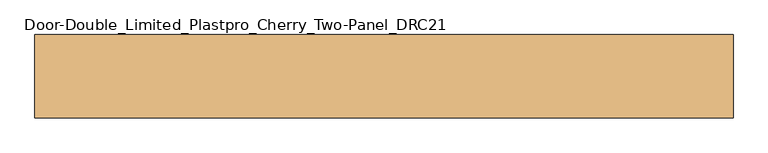
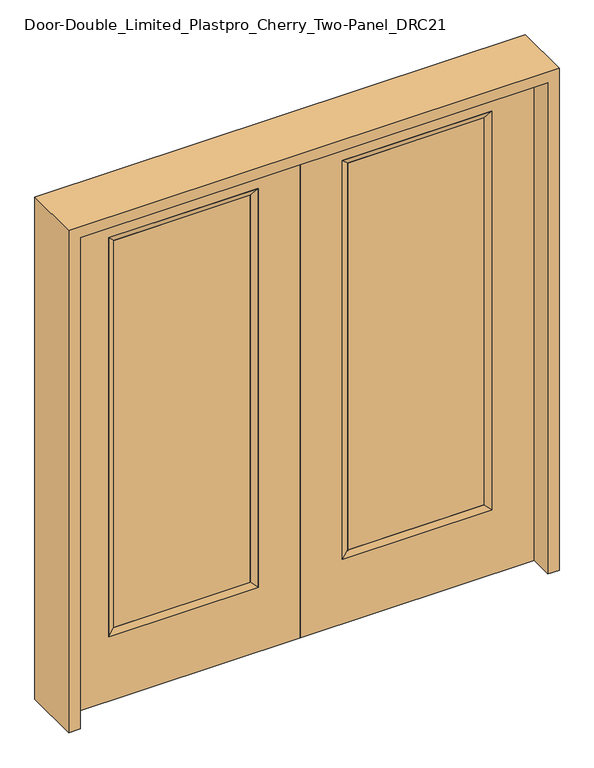
"""IFC4 building model written with IfcOpenShell, lengths in millimetres: door geometry, Door-Double_Limited_Plastpro_Cherry_Two-Panel_DRC21."""

from ifc_helpers import new_model, si_unit, frame, origin, place, context, project, spatial, polyline, outline, extrude, faceted_brep, source, transform, mapped, element, save


def door_double_limited_plastpro_cherry_two_panel_drc21_c13fb43d(model_context):
    return source(origin(), model_context, "Body", "SolidModel", [
        extrude(outline(polyline([(190.5, -12.7), (190.5, 12.7), (723.9, 12.7), (723.9, -12.7), (190.5, -12.7)])), frame((0.0, 0.0, 284.95625), z_axis=(0.0, 0.0, 1.0), x_axis=(1.0, 0.0, 0.0)), (0.0, 0.0, 1.0), 1607.34375),
        faceted_brep([(749.3, -22.225, 1917.7), (749.3, -22.225, 266.7), (749.3, 22.225, 266.7), (749.3, 22.225, 1917.7), (165.1, -22.225, 266.7), (165.1, 22.225, 266.7), (190.5, 12.7, 292.1), (723.9, 12.7, 292.1), (165.1, -22.225, 1917.7), (165.1, 22.225, 1917.7), (723.9, -12.7, 292.1), (190.5, -12.7, 292.1), (723.9, -12.7, 1892.3), (190.5, -12.7, 1892.3), (723.9, 12.7, 1892.3), (190.5, 12.7, 1892.3)], [[[0, 1, 2, 3]], [[1, 4, 5, 2]], [[2, 5, 6, 7]], [[4, 8, 9, 5]], [[10, 11, 4, 1]], [[12, 10, 1, 0]], [[11, 13, 8, 4]], [[7, 6, 11, 10]], [[14, 7, 10, 12]], [[6, 15, 13, 11]], [[3, 2, 7, 14]], [[5, 9, 15, 6]], [[8, 0, 3, 9]], [[13, 12, 0, 8]], [[15, 14, 12, 13]], [[9, 3, 14, 15]]]),
        extrude(outline(polyline([(2032.0, 0.0), (0.0, 0.0), (0.0, 914.4), (2032.0, 914.4), (2032.0, 0.0)]), holes=[polyline([(1917.7, 749.3), (266.7, 749.3), (266.7, 165.1), (1917.7, 165.1), (1917.7, 749.3)])]), frame((0.0, -22.225, 0.0), z_axis=(0.0, 1.0, 0.0), x_axis=(0.0, 0.0, 1.0)), (0.0, 0.0, 1.0), 44.45),
        extrude(outline(polyline([(-190.5, -12.7), (-723.9, -12.7), (-723.9, 12.7), (-190.5, 12.7), (-190.5, -12.7)])), frame((0.0, 0.0, 284.95625), z_axis=(0.0, 0.0, 1.0), x_axis=(1.0, 0.0, 0.0)), (0.0, 0.0, 1.0), 1607.34375),
        faceted_brep([(-749.3, -22.225, 1917.7), (-749.3, 22.225, 1917.7), (-749.3, 22.225, 266.7), (-749.3, -22.225, 266.7), (-165.1, 22.225, 266.7), (-165.1, -22.225, 266.7), (-723.9, 12.7, 292.1), (-190.5, 12.7, 292.1), (-165.1, 22.225, 1917.7), (-165.1, -22.225, 1917.7), (-723.9, -12.7, 292.1), (-190.5, -12.7, 292.1), (-723.9, -12.7, 1892.3), (-190.5, -12.7, 1892.3), (-723.9, 12.7, 1892.3), (-190.5, 12.7, 1892.3)], [[[0, 1, 2, 3]], [[3, 2, 4, 5]], [[2, 6, 7, 4]], [[5, 4, 8, 9]], [[10, 3, 5, 11]], [[12, 0, 3, 10]], [[11, 5, 9, 13]], [[6, 10, 11, 7]], [[14, 12, 10, 6]], [[7, 11, 13, 15]], [[1, 14, 6, 2]], [[4, 7, 15, 8]], [[9, 8, 1, 0]], [[13, 9, 0, 12]], [[15, 13, 12, 14]], [[8, 15, 14, 1]]]),
        extrude(outline(polyline([(2032.0, 0.0), (2032.0, -914.4), (0.0, -914.4), (0.0, 0.0), (2032.0, 0.0)]), holes=[polyline([(1917.7, -749.3), (1917.7, -165.1), (266.7, -165.1), (266.7, -749.3), (1917.7, -749.3)])]), frame((0.0, -22.225, 0.0), z_axis=(0.0, 1.0, 0.0), x_axis=(0.0, 0.0, 1.0)), (0.0, 0.0, 1.0), 44.45),
        extrude(outline(polyline([(2076.45, -958.85), (0.0, -958.85), (0.0, -914.4), (2032.0, -914.4), (2032.0, 914.4), (0.0, 914.4), (0.0, 958.85), (2076.45, 958.85), (2076.45, -958.85)])), frame((0.0, -114.3, 0.0), z_axis=(0.0, 1.0, 0.0), x_axis=(0.0, 0.0, 1.0)), (0.0, 0.0, 1.0), 228.6),
    ])


if __name__ == "__main__":
    model = new_model("IFC4")
    model_context = context("Model", 3, world=origin())
    ifc_project = project(units=[si_unit("LENGTHUNIT", "METRE", prefix="MILLI")], contexts=[model_context])
    site = spatial("IfcSite", under=ifc_project)
    building = spatial("IfcBuilding", under=site)
    placement = place(None, origin())
    door_double_limited_plastpro_cherry_two_panel_drc21_shape = door_double_limited_plastpro_cherry_two_panel_drc21_c13fb43d(model_context)
    element("IfcDoor", 1, ObjectType="Door-Double_Limited_Plastpro_Cherry_Two-Panel_DRC21", at=placement, inside=building, context=model_context, shape_type="MappedRepresentation", body=[
        mapped(door_double_limited_plastpro_cherry_two_panel_drc21_shape, transform((0.0, 0.0, 0.0), x_axis=(1.0, 0.0, 0.0), y_axis=(0.0, 1.0, 0.0), z_axis=(0.0, 0.0, 1.0))),
    ])
    save(model, "model.ifc")
